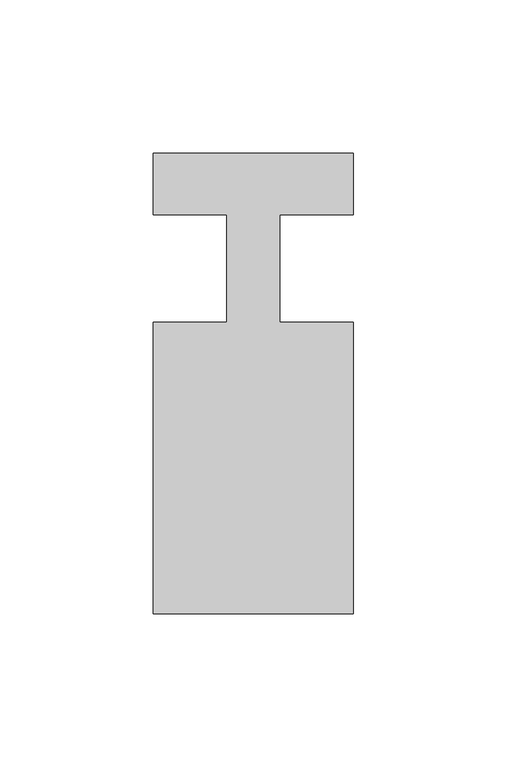
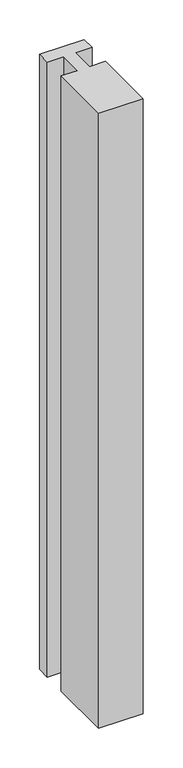
"""IFC4 building model written with IfcOpenShell, lengths in millimetres: member geometry."""

from ifc_helpers import new_model, si_unit, frame, origin, place, context, project, spatial, polyline, outline, extrude, source, transform, mapped, element, save


def member_adc550e9(model_context):
    return source(origin(), model_context, "Body", "SweptSolid", [
        extrude(outline(polyline([(0.0, 37.0), (0.0, 17.0), (-23.8125, 17.0), (-23.8125, -18.0), (0.0, -18.0), (0.0, -113.0), (-65.0, -113.0), (-65.0, -18.0), (-41.1875, -18.0), (-41.1875, 17.0), (-65.0, 17.0), (-65.0, 37.0), (0.0, 37.0)])), frame((0.0, 0.0, -949.1666667), z_axis=(0.0, 0.0, 1.0), x_axis=(1.0, 0.0, 0.0)), (0.0, 0.0, 1.0), 949.1666667),
    ])


if __name__ == "__main__":
    model = new_model("IFC4")
    model_context = context("Model", 3, world=origin())
    ifc_project = project(units=[si_unit("LENGTHUNIT", "METRE", prefix="MILLI")], contexts=[model_context])
    site = spatial("IfcSite", under=ifc_project)
    building = spatial("IfcBuilding", under=site)
    placement = place(None, origin())
    member_shape = member_adc550e9(model_context)
    element("IfcMember", 1, at=placement, inside=building, context=model_context, shape_type="MappedRepresentation", body=[
        mapped(member_shape, transform((0.0, 0.0, 0.0), x_axis=(1.0, 0.0, 0.0), y_axis=(0.0, 1.0, 0.0), z_axis=(0.0, 0.0, 1.0))),
    ])
    save(model, "model.ifc")
